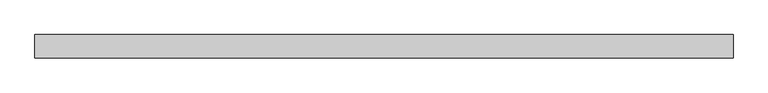
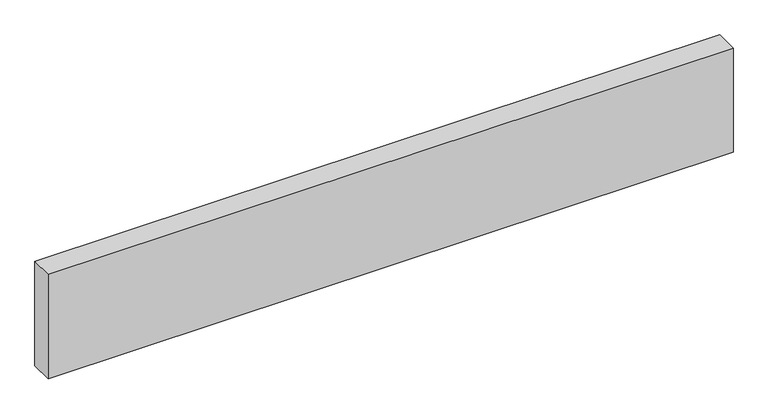
"""IFC4 building model written with IfcOpenShell, lengths in millimetres: beam geometry."""

from ifc_helpers import new_model, si_unit, frame, origin, place, context, project, spatial, polyline, outline, extrude, source, transform, mapped, element, save


def beam_d47d10e0(model_context):
    return source(origin(), model_context, "Body", "SweptSolid", [
        extrude(outline(polyline([(-571.5, 19.05), (571.5, 19.05), (571.5, -19.05), (-571.5, -19.05), (-571.5, 19.05)])), frame((0.0, 0.0, -92.075), z_axis=(0.0, 0.0, 1.0), x_axis=(1.0, 0.0, 0.0)), (0.0, 0.0, 1.0), 184.15),
    ])


if __name__ == "__main__":
    model = new_model("IFC4")
    model_context = context("Model", 3, world=origin())
    ifc_project = project(units=[si_unit("LENGTHUNIT", "METRE", prefix="MILLI")], contexts=[model_context])
    site = spatial("IfcSite", under=ifc_project)
    building = spatial("IfcBuilding", under=site)
    placement = place(None, origin())
    beam_shape = beam_d47d10e0(model_context)
    element("IfcBeam", 1, at=placement, inside=building, context=model_context, shape_type="MappedRepresentation", body=[
        mapped(beam_shape, transform((0.0, 0.0, 0.0), x_axis=(1.0, 0.0, 0.0), y_axis=(0.0, 1.0, 0.0), z_axis=(0.0, 0.0, 1.0))),
    ])
    save(model, "model.ifc")
